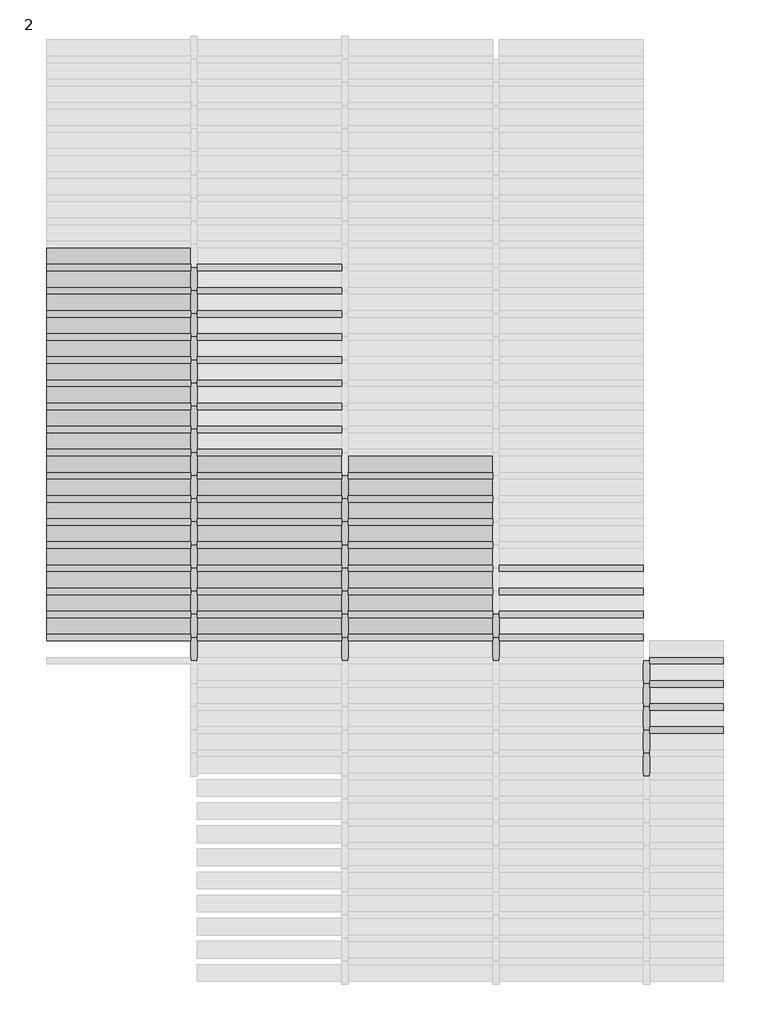
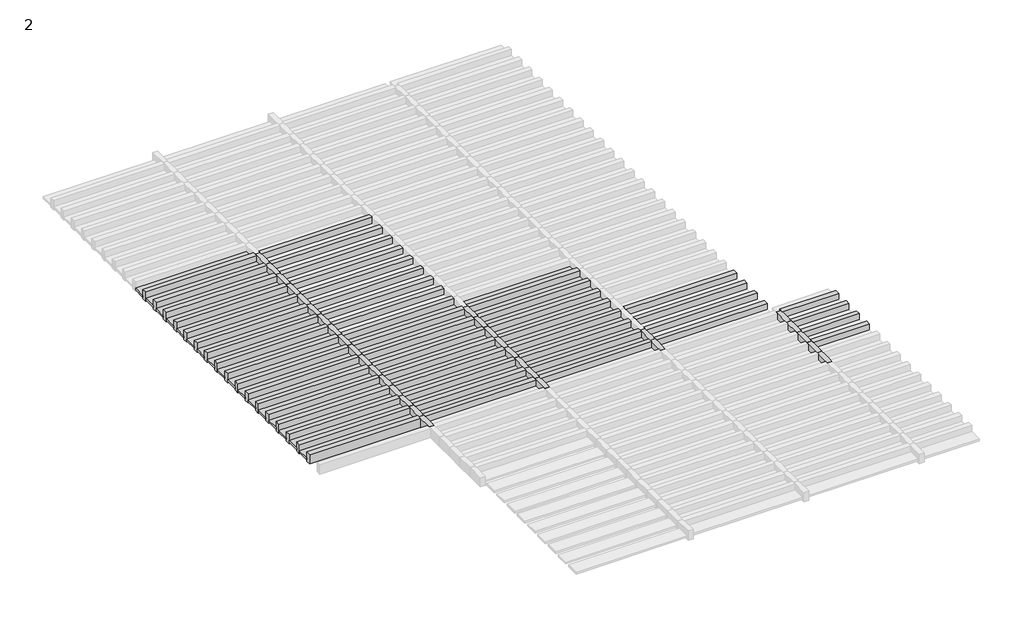
# One storey, part 13 of 20: 82 members, 33 plates.
"""IFC4 building model written with IfcOpenShell, lengths in millimetres."""

import ifcopenshell
import ifcopenshell.guid

model = None  # the IFC model being written
_history = None  # IfcOwnerHistory: only IFC2X3 demands one
_inside = {}  # id of a spatial element -> (the spatial element, [elements in it])
_under = {}  # id of a project, library or spatial element -> (it, [spatial elements below it])
_declared = {}  # id of a project -> (the project, [libraries it declares])
_typed = {}  # id of a type object -> (the type object, [elements of that type])
_made_of = {}  # id of a material, layer set ... -> (it, [elements and type objects made of it])


def new_model(schema):
    """Start an empty IFC model of exactly this schema.

    Asked for "IFC4X3", IfcOpenShell would pick the latest addendum, in which some entities
    have other attributes; the version numbers below select the first issue.
    IFC2X3 requires an IfcOwnerHistory on every rooted entity: one is made here for all.
    """
    global model, _history
    if schema == "IFC4X3":
        model = ifcopenshell.file(schema_version=(4, 3, 0, 0))
    else:
        model = ifcopenshell.file(schema=schema)
    _inside.clear()
    _under.clear()
    _declared.clear()
    _typed.clear()
    _made_of.clear()
    _history = None
    if model.schema == "IFC2X3":
        org = make("IfcOrganization", Name="unknown")
        user = make(
            "IfcPersonAndOrganization",
            ThePerson=make("IfcPerson", FamilyName="unknown"),
            TheOrganization=org,
        )
        app = make(
            "IfcApplication",
            ApplicationDeveloper=org,
            Version="unknown",
            ApplicationFullName="unknown",
            ApplicationIdentifier="unknown",
        )
        _history = make(
            "IfcOwnerHistory",
            OwningUser=user,
            OwningApplication=app,
            ChangeAction="ADDED",
            CreationDate=0,
        )
    return model


def make(cls, **values):
    """One entity of the class cls with the attributes given. An attribute that is None is left unset."""
    return model.create_entity(
        cls, **{name: value for name, value in values.items() if value is not None}
    )


def rooted(cls, **values):
    """An entity with a GlobalId (a new one), such as an element, a storey or a relation."""
    return make(cls, GlobalId=ifcopenshell.guid.new(), OwnerHistory=_history, **values)


def si_unit(unit_type, name, prefix=None):
    """IfcSIUnit, for example si_unit("LENGTHUNIT", "METRE", prefix="MILLI")."""
    return make("IfcSIUnit", UnitType=unit_type, Prefix=prefix, Name=name)


def assignment(units):
    """IfcUnitAssignment: the units of a project."""
    return None if units is None else make("IfcUnitAssignment", Units=units)


def point(xyz):
    """IfcCartesianPoint."""
    return None if xyz is None else make("IfcCartesianPoint", Coordinates=xyz)


def direction(xyz):
    """IfcDirection."""
    return None if xyz is None else make("IfcDirection", DirectionRatios=xyz)


def frame(location, z_axis=None, x_axis=None):
    """IfcAxis2Placement3D, a coordinate frame: its origin and axes. An axis left out is left unset."""
    return make(
        "IfcAxis2Placement3D",
        Location=point(location),
        Axis=direction(z_axis),
        RefDirection=direction(x_axis),
    )


def origin():
    """The frame at (0, 0, 0) with its axes left unset."""
    return frame((0.0, 0.0, 0.0))


def origin_with_axes():
    """The frame at (0, 0, 0) with the z axis (0, 0, 1) and the x axis (1, 0, 0) written out."""
    return frame((0.0, 0.0, 0.0), z_axis=(0.0, 0.0, 1.0), x_axis=(1.0, 0.0, 0.0))


def place(relative_to, where):
    """IfcLocalPlacement: puts the frame where relative to a parent placement (None: the world)."""
    return make(
        "IfcLocalPlacement", PlacementRelTo=relative_to, RelativePlacement=where
    )


def context(
    kind, dimensions, precision=None, world=None, true_north=None, identifier=None
):
    """IfcGeometricRepresentationContext, for example the 3D "Model" context."""
    return make(
        "IfcGeometricRepresentationContext",
        ContextIdentifier=identifier,
        ContextType=kind,
        CoordinateSpaceDimension=dimensions,
        Precision=precision,
        WorldCoordinateSystem=world,
        TrueNorth=true_north,
    )


def project(units=None, contexts=None):
    """IfcProject with its units and contexts."""
    return rooted(
        "IfcProject",
        Name="project",
        RepresentationContexts=contexts,
        UnitsInContext=assignment(units),
    )


def spatial(cls, under=None, at=None, **own):
    """A site, building, storey or space (cls), placed at a placement, below another one or the project."""
    s = rooted(cls, ObjectPlacement=at, **own)
    if under is not None:
        _under.setdefault(under.id(), (under, []))[1].append(s)
    return s


def polyline(points):
    """IfcPolyline through the points."""
    return make("IfcPolyline", Points=[point(p) for p in points])


def outline(outer, holes=None, kind="AREA"):
    """IfcArbitraryClosedProfileDef: a profile drawn as a closed curve; with holes, ...WithVoids."""
    if holes is None:
        return make("IfcArbitraryClosedProfileDef", ProfileType=kind, OuterCurve=outer)
    return make(
        "IfcArbitraryProfileDefWithVoids",
        ProfileType=kind,
        OuterCurve=outer,
        InnerCurves=holes,
    )


def extrude(swept, where, along, depth):
    """IfcExtrudedAreaSolid: the profile swept, set in the frame where, extruded along a direction by depth."""
    return make(
        "IfcExtrudedAreaSolid",
        SweptArea=swept,
        Position=where,
        ExtrudedDirection=direction(along),
        Depth=depth,
    )


def shape(context_of_items, identifier, shape_type, items):
    """IfcShapeRepresentation: the items that make up one representation, for example the "Body"."""
    return make(
        "IfcShapeRepresentation",
        ContextOfItems=context_of_items,
        RepresentationIdentifier=identifier,
        RepresentationType=shape_type,
        Items=items,
    )


def source(mapping_origin, context_of_items, identifier, shape_type, items):
    """IfcRepresentationMap: a shape defined once, which mapped items show again and again."""
    return make(
        "IfcRepresentationMap",
        MappingOrigin=mapping_origin,
        MappedRepresentation=shape(context_of_items, identifier, shape_type, items),
    )


def transform(
    local_origin,
    x_axis=None,
    y_axis=None,
    z_axis=None,
    scale=None,
    scale2=None,
    scale3=None,
    uniform=True,
):
    """IfcCartesianTransformationOperator3D, or its non-uniform kind. x_axis, y_axis, z_axis: its Axis1, 2, 3."""
    if uniform:
        return make(
            "IfcCartesianTransformationOperator3D",
            Axis1=direction(x_axis),
            Axis2=direction(y_axis),
            LocalOrigin=point(local_origin),
            Scale=scale,
            Axis3=direction(z_axis),
        )
    return make(
        "IfcCartesianTransformationOperator3DnonUniform",
        Axis1=direction(x_axis),
        Axis2=direction(y_axis),
        LocalOrigin=point(local_origin),
        Scale=scale,
        Axis3=direction(z_axis),
        Scale2=scale2,
        Scale3=scale3,
    )


def mapped(mapping_source, mapping_target):
    """IfcMappedItem: shows the shape of a source again, moved by a transform."""
    return make(
        "IfcMappedItem", MappingSource=mapping_source, MappingTarget=mapping_target
    )


def made_of(thing, what):
    """Note that an element or type object is made of a material, layer set ...; save() writes the relation."""
    if what is not None:
        _made_of.setdefault(what.id(), (what, []))[1].append(thing)
    return thing


def element(
    cls,
    number,
    at=None,
    inside=None,
    cuts=None,
    type_object=None,
    material=None,
    context=None,
    identifier="Body",
    shape_type=None,
    held_by="IfcProductDefinitionShape",
    body=None,
    shapes=None,
    **own,
):
    """One element of the class cls, such as IfcWall. Its Tag is "e" and its number.

    at: its placement. inside: the storey or other place that contains it. cuts: it is an
    opening in that element (IfcRelVoidsElement). A single representation is given by context,
    identifier, shape_type and body (its items); several are given by shapes. held_by: the class
    of the entity that holds the representations. save() writes the other relations.
    """
    e = rooted(cls, Tag="e%d" % number, ObjectPlacement=at, **own)
    if body is not None:
        shapes = [shape(context, identifier, shape_type, body)]
    if shapes is not None:
        e.Representation = make(held_by, Representations=shapes)
    if inside is not None:
        _inside.setdefault(inside.id(), (inside, []))[1].append(e)
    if cuts is not None:
        rooted(
            "IfcRelVoidsElement", RelatingBuildingElement=cuts, RelatedOpeningElement=e
        )
    if type_object is not None:
        _typed.setdefault(type_object.id(), (type_object, []))[1].append(e)
    return made_of(e, material)


def aggregate(whole, parts):
    """IfcRelAggregates: a whole, such as a stair, and the parts it consists of."""
    return rooted("IfcRelAggregates", RelatingObject=whole, RelatedObjects=parts)


def save(model, path):
    """Write the relations noted so far, then the file.

    IfcRelAggregates (storeys below a building ...), IfcRelContainedInSpatialStructure (elements
    in a storey), IfcRelDefinesByType, IfcRelAssociatesMaterial and IfcRelDeclares: one each for
    every whole, place, type object, material and project.
    """
    for whole, parts in _under.values():
        aggregate(whole, parts)
    for where, things in _inside.values():
        rooted(
            "IfcRelContainedInSpatialStructure",
            RelatedElements=things,
            RelatingStructure=where,
        )
    for kind, things in _typed.values():
        rooted("IfcRelDefinesByType", RelatedObjects=things, RelatingType=kind)
    for what, things in _made_of.values():
        rooted("IfcRelAssociatesMaterial", RelatedObjects=things, RelatingMaterial=what)
    for by, libraries in _declared.values():
        rooted("IfcRelDeclares", RelatingContext=by, RelatedDefinitions=libraries)
    model.write(path)


def rectangular_mullion_rectangular_mullion_1_2e36edf5(model_context):
    return source(origin(), model_context, "Body", "SweptSolid", [
        extrude(outline(polyline([(31.75, 63.5), (31.75, -63.5), (-31.75, -63.5), (-31.75, 63.5), (31.75, 63.5)])), frame((0.0, 0.0, -1436.5), z_axis=(0.0, 0.0, 1.0), x_axis=(1.0, 0.0, 0.0)), (0.0, 0.0, 1.0), 1436.5),
    ])


def rectangular_mullion_rectangular_mullion_1_a65447c9(model_context):
    return source(origin(), model_context, "Body", "SweptSolid", [
        extrude(outline(polyline([(31.75, 63.5), (31.75, -63.5), (-31.75, -63.5), (-31.75, 63.5), (31.75, 63.5)])), frame((0.0, 0.0, -728.9), z_axis=(0.0, 0.0, 1.0), x_axis=(1.0, 0.0, 0.0)), (0.0, 0.0, 1.0), 728.9),
    ])


def rectangular_mullion_rectangular_mullion_1_d94df714(model_context):
    return source(origin(), model_context, "Body", "SweptSolid", [
        extrude(outline(polyline([(31.75, 63.5), (31.75, -63.5), (-31.75, -63.5), (-31.75, 63.5), (31.75, 63.5)])), frame((0.0, 0.0, -230.0), z_axis=(0.0, 0.0, 1.0), x_axis=(1.0, 0.0, 0.0)), (0.0, 0.0, 1.0), 230.0),
    ])


def system_panel_glazed_08e8e96b(model_context):
    return source(origin(), model_context, "Body", "SweptSolid", [
        extrude(outline(polyline([(718.25, 19.05), (-718.25, 19.05), (-718.25, 44.45), (718.25, 44.45), (718.25, 19.05)])), origin_with_axes(), (0.0, 0.0, 1.0), 166.5),
    ])


model = new_model("IFC4")

# Units and contexts
model_context = context("Model", 3, world=origin())
ifc_project = project(units=[si_unit("LENGTHUNIT", "METRE", prefix="MILLI")], contexts=[model_context])

# Site, building, storey
site = spatial("IfcSite", under=ifc_project)
building = spatial("IfcBuilding", under=site)
storey = spatial("IfcBuildingStorey", under=building, Name="2", Elevation=6840.0)

# Members
placement = place(None, origin())
rectangular_mullion_rectangular_mullion_1_shape = rectangular_mullion_rectangular_mullion_1_2e36edf5(model_context)
element("IfcMember", 1, ObjectType="Rectangular Mullion : Rectangular Mullion 1", at=placement, inside=storey, context=model_context, shape_type="MappedRepresentation", body=[
    mapped(rectangular_mullion_rectangular_mullion_1_shape, transform((2077.9371269, 175.1945338, 6840.0), x_axis=(0.0, 1.0, 0.0), y_axis=(0.0, 0.0, -1.0), z_axis=(-1.0, 0.0, 0.0))),
])
element("IfcMember", 2, ObjectType="Rectangular Mullion : Rectangular Mullion 1", at=placement, inside=storey, context=model_context, shape_type="MappedRepresentation", body=[
    mapped(rectangular_mullion_rectangular_mullion_1_shape, transform((2077.9371269, 405.1945338, 6840.0), x_axis=(0.0, 1.0, 0.0), y_axis=(0.0, 0.0, -1.0), z_axis=(-1.0, 0.0, 0.0))),
])
element("IfcMember", 3, ObjectType="Rectangular Mullion : Rectangular Mullion 1", at=placement, inside=storey, context=model_context, shape_type="MappedRepresentation", body=[
    mapped(rectangular_mullion_rectangular_mullion_1_shape, transform((2077.9371269, 635.1945338, 6840.0), x_axis=(0.0, 1.0, 0.0), y_axis=(0.0, 0.0, -1.0), z_axis=(-1.0, 0.0, 0.0))),
])
element("IfcMember", 4, ObjectType="Rectangular Mullion : Rectangular Mullion 1", at=placement, inside=storey, context=model_context, shape_type="MappedRepresentation", body=[
    mapped(rectangular_mullion_rectangular_mullion_1_shape, transform((2077.9371269, 865.1945338, 6840.0), x_axis=(0.0, 1.0, 0.0), y_axis=(0.0, 0.0, -1.0), z_axis=(-1.0, 0.0, 0.0))),
])
element("IfcMember", 5, ObjectType="Rectangular Mullion : Rectangular Mullion 1", at=placement, inside=storey, context=model_context, shape_type="MappedRepresentation", body=[
    mapped(rectangular_mullion_rectangular_mullion_1_shape, transform((2077.9371269, 1095.1945338, 6840.0), x_axis=(0.0, 1.0, 0.0), y_axis=(0.0, 0.0, -1.0), z_axis=(-1.0, 0.0, 0.0))),
])
element("IfcMember", 6, ObjectType="Rectangular Mullion : Rectangular Mullion 1", at=placement, inside=storey, context=model_context, shape_type="MappedRepresentation", body=[
    mapped(rectangular_mullion_rectangular_mullion_1_shape, transform((2077.9371269, 1325.1945338, 6840.0), x_axis=(0.0, 1.0, 0.0), y_axis=(0.0, 0.0, -1.0), z_axis=(-1.0, 0.0, 0.0))),
])
element("IfcMember", 7, ObjectType="Rectangular Mullion : Rectangular Mullion 1", at=placement, inside=storey, context=model_context, shape_type="MappedRepresentation", body=[
    mapped(rectangular_mullion_rectangular_mullion_1_shape, transform((2077.9371269, 1555.1945338, 6840.0), x_axis=(0.0, 1.0, 0.0), y_axis=(0.0, 0.0, -1.0), z_axis=(-1.0, 0.0, 0.0))),
])
element("IfcMember", 8, ObjectType="Rectangular Mullion : Rectangular Mullion 1", at=placement, inside=storey, context=model_context, shape_type="MappedRepresentation", body=[
    mapped(rectangular_mullion_rectangular_mullion_1_shape, transform((2077.9371269, 1785.1945338, 6840.0), x_axis=(0.0, 1.0, 0.0), y_axis=(0.0, 0.0, -1.0), z_axis=(-1.0, 0.0, 0.0))),
])
element("IfcMember", 9, ObjectType="Rectangular Mullion : Rectangular Mullion 1", at=placement, inside=storey, context=model_context, shape_type="MappedRepresentation", body=[
    mapped(rectangular_mullion_rectangular_mullion_1_shape, transform((2077.9371269, 2015.1945338, 6840.0), x_axis=(0.0, 1.0, 0.0), y_axis=(0.0, 0.0, -1.0), z_axis=(-1.0, 0.0, 0.0))),
])
element("IfcMember", 10, ObjectType="Rectangular Mullion : Rectangular Mullion 1", at=placement, inside=storey, context=model_context, shape_type="MappedRepresentation", body=[
    mapped(rectangular_mullion_rectangular_mullion_1_shape, transform((2077.9371269, 2245.1945338, 6840.0), x_axis=(0.0, 1.0, 0.0), y_axis=(0.0, 0.0, -1.0), z_axis=(-1.0, 0.0, 0.0))),
])
element("IfcMember", 11, ObjectType="Rectangular Mullion : Rectangular Mullion 1", at=placement, inside=storey, context=model_context, shape_type="MappedRepresentation", body=[
    mapped(rectangular_mullion_rectangular_mullion_1_shape, transform((2077.9371269, 2475.1945338, 6840.0), x_axis=(0.0, 1.0, 0.0), y_axis=(0.0, 0.0, -1.0), z_axis=(-1.0, 0.0, 0.0))),
])
element("IfcMember", 12, ObjectType="Rectangular Mullion : Rectangular Mullion 1", at=placement, inside=storey, context=model_context, shape_type="MappedRepresentation", body=[
    mapped(rectangular_mullion_rectangular_mullion_1_shape, transform((2077.9371269, 2705.1945338, 6840.0), x_axis=(0.0, 1.0, 0.0), y_axis=(0.0, 0.0, -1.0), z_axis=(-1.0, 0.0, 0.0))),
])
element("IfcMember", 13, ObjectType="Rectangular Mullion : Rectangular Mullion 1", at=placement, inside=storey, context=model_context, shape_type="MappedRepresentation", body=[
    mapped(rectangular_mullion_rectangular_mullion_1_shape, transform((2077.9371269, 2935.1945338, 6840.0), x_axis=(0.0, 1.0, 0.0), y_axis=(0.0, 0.0, -1.0), z_axis=(-1.0, 0.0, 0.0))),
])
element("IfcMember", 14, ObjectType="Rectangular Mullion : Rectangular Mullion 1", at=placement, inside=storey, context=model_context, shape_type="MappedRepresentation", body=[
    mapped(rectangular_mullion_rectangular_mullion_1_shape, transform((2077.9371269, 3165.1945338, 6840.0), x_axis=(0.0, 1.0, 0.0), y_axis=(0.0, 0.0, -1.0), z_axis=(-1.0, 0.0, 0.0))),
])
element("IfcMember", 15, ObjectType="Rectangular Mullion : Rectangular Mullion 1", at=placement, inside=storey, context=model_context, shape_type="MappedRepresentation", body=[
    mapped(rectangular_mullion_rectangular_mullion_1_shape, transform((2077.9371269, 3395.1945338, 6840.0), x_axis=(0.0, 1.0, 0.0), y_axis=(0.0, 0.0, -1.0), z_axis=(-1.0, 0.0, 0.0))),
])
element("IfcMember", 16, ObjectType="Rectangular Mullion : Rectangular Mullion 1", at=placement, inside=storey, context=model_context, shape_type="MappedRepresentation", body=[
    mapped(rectangular_mullion_rectangular_mullion_1_shape, transform((2077.9371269, 3625.1945338, 6840.0), x_axis=(0.0, 1.0, 0.0), y_axis=(0.0, 0.0, -1.0), z_axis=(-1.0, 0.0, 0.0))),
])
element("IfcMember", 17, ObjectType="Rectangular Mullion : Rectangular Mullion 1", at=placement, inside=storey, context=model_context, shape_type="MappedRepresentation", body=[
    mapped(rectangular_mullion_rectangular_mullion_1_shape, transform((2077.9371269, 3855.1945338, 6840.0), x_axis=(0.0, 1.0, 0.0), y_axis=(0.0, 0.0, -1.0), z_axis=(-1.0, 0.0, 0.0))),
])
element("IfcMember", 18, ObjectType="Rectangular Mullion : Rectangular Mullion 1", at=placement, inside=storey, context=model_context, shape_type="MappedRepresentation", body=[
    mapped(rectangular_mullion_rectangular_mullion_1_shape, transform((3577.9371269, 175.1945338, 6840.0), x_axis=(0.0, 1.0, 0.0), y_axis=(0.0, 0.0, -1.0), z_axis=(-1.0, 0.0, 0.0))),
])
element("IfcMember", 19, ObjectType="Rectangular Mullion : Rectangular Mullion 1", at=placement, inside=storey, context=model_context, shape_type="MappedRepresentation", body=[
    mapped(rectangular_mullion_rectangular_mullion_1_shape, transform((5077.9371269, 175.1945338, 6840.0), x_axis=(0.0, 1.0, 0.0), y_axis=(0.0, 0.0, -1.0), z_axis=(-1.0, 0.0, 0.0))),
])
element("IfcMember", 20, ObjectType="Rectangular Mullion : Rectangular Mullion 1", at=placement, inside=storey, context=model_context, shape_type="MappedRepresentation", body=[
    mapped(rectangular_mullion_rectangular_mullion_1_shape, transform((6577.9371269, 175.1945338, 6840.0), x_axis=(0.0, 1.0, 0.0), y_axis=(0.0, 0.0, -1.0), z_axis=(-1.0, 0.0, 0.0))),
])
element("IfcMember", 21, ObjectType="Rectangular Mullion : Rectangular Mullion 1", at=placement, inside=storey, context=model_context, shape_type="MappedRepresentation", body=[
    mapped(rectangular_mullion_rectangular_mullion_1_shape, transform((3577.9371269, 405.1945338, 6840.0), x_axis=(0.0, 1.0, 0.0), y_axis=(0.0, 0.0, -1.0), z_axis=(-1.0, 0.0, 0.0))),
])
element("IfcMember", 22, ObjectType="Rectangular Mullion : Rectangular Mullion 1", at=placement, inside=storey, context=model_context, shape_type="MappedRepresentation", body=[
    mapped(rectangular_mullion_rectangular_mullion_1_shape, transform((5077.9371269, 405.1945338, 6840.0), x_axis=(0.0, 1.0, 0.0), y_axis=(0.0, 0.0, -1.0), z_axis=(-1.0, 0.0, 0.0))),
])
element("IfcMember", 23, ObjectType="Rectangular Mullion : Rectangular Mullion 1", at=placement, inside=storey, context=model_context, shape_type="MappedRepresentation", body=[
    mapped(rectangular_mullion_rectangular_mullion_1_shape, transform((6577.9371269, 405.1945338, 6840.0), x_axis=(0.0, 1.0, 0.0), y_axis=(0.0, 0.0, -1.0), z_axis=(-1.0, 0.0, 0.0))),
])
element("IfcMember", 24, ObjectType="Rectangular Mullion : Rectangular Mullion 1", at=placement, inside=storey, context=model_context, shape_type="MappedRepresentation", body=[
    mapped(rectangular_mullion_rectangular_mullion_1_shape, transform((3577.9371269, 635.1945338, 6840.0), x_axis=(0.0, 1.0, 0.0), y_axis=(0.0, 0.0, -1.0), z_axis=(-1.0, 0.0, 0.0))),
])
element("IfcMember", 25, ObjectType="Rectangular Mullion : Rectangular Mullion 1", at=placement, inside=storey, context=model_context, shape_type="MappedRepresentation", body=[
    mapped(rectangular_mullion_rectangular_mullion_1_shape, transform((5077.9371269, 635.1945338, 6840.0), x_axis=(0.0, 1.0, 0.0), y_axis=(0.0, 0.0, -1.0), z_axis=(-1.0, 0.0, 0.0))),
])
element("IfcMember", 26, ObjectType="Rectangular Mullion : Rectangular Mullion 1", at=placement, inside=storey, context=model_context, shape_type="MappedRepresentation", body=[
    mapped(rectangular_mullion_rectangular_mullion_1_shape, transform((6577.9371269, 635.1945338, 6840.0), x_axis=(0.0, 1.0, 0.0), y_axis=(0.0, 0.0, -1.0), z_axis=(-1.0, 0.0, 0.0))),
])
element("IfcMember", 27, ObjectType="Rectangular Mullion : Rectangular Mullion 1", at=placement, inside=storey, context=model_context, shape_type="MappedRepresentation", body=[
    mapped(rectangular_mullion_rectangular_mullion_1_shape, transform((3577.9371269, 865.1945338, 6840.0), x_axis=(0.0, 1.0, 0.0), y_axis=(0.0, 0.0, -1.0), z_axis=(-1.0, 0.0, 0.0))),
])
element("IfcMember", 28, ObjectType="Rectangular Mullion : Rectangular Mullion 1", at=placement, inside=storey, context=model_context, shape_type="MappedRepresentation", body=[
    mapped(rectangular_mullion_rectangular_mullion_1_shape, transform((5077.9371269, 865.1945338, 6840.0), x_axis=(0.0, 1.0, 0.0), y_axis=(0.0, 0.0, -1.0), z_axis=(-1.0, 0.0, 0.0))),
])
element("IfcMember", 29, ObjectType="Rectangular Mullion : Rectangular Mullion 1", at=placement, inside=storey, context=model_context, shape_type="MappedRepresentation", body=[
    mapped(rectangular_mullion_rectangular_mullion_1_shape, transform((6577.9371269, 865.1945338, 6840.0), x_axis=(0.0, 1.0, 0.0), y_axis=(0.0, 0.0, -1.0), z_axis=(-1.0, 0.0, 0.0))),
])
element("IfcMember", 30, ObjectType="Rectangular Mullion : Rectangular Mullion 1", at=placement, inside=storey, context=model_context, shape_type="MappedRepresentation", body=[
    mapped(rectangular_mullion_rectangular_mullion_1_shape, transform((3577.9371269, 1095.1945338, 6840.0), x_axis=(0.0, 1.0, 0.0), y_axis=(0.0, 0.0, -1.0), z_axis=(-1.0, 0.0, 0.0))),
])
element("IfcMember", 31, ObjectType="Rectangular Mullion : Rectangular Mullion 1", at=placement, inside=storey, context=model_context, shape_type="MappedRepresentation", body=[
    mapped(rectangular_mullion_rectangular_mullion_1_shape, transform((5077.9371269, 1095.1945338, 6840.0), x_axis=(0.0, 1.0, 0.0), y_axis=(0.0, 0.0, -1.0), z_axis=(-1.0, 0.0, 0.0))),
])
element("IfcMember", 32, ObjectType="Rectangular Mullion : Rectangular Mullion 1", at=placement, inside=storey, context=model_context, shape_type="MappedRepresentation", body=[
    mapped(rectangular_mullion_rectangular_mullion_1_shape, transform((3577.9371269, 1325.1945338, 6840.0), x_axis=(0.0, 1.0, 0.0), y_axis=(0.0, 0.0, -1.0), z_axis=(-1.0, 0.0, 0.0))),
])
element("IfcMember", 33, ObjectType="Rectangular Mullion : Rectangular Mullion 1", at=placement, inside=storey, context=model_context, shape_type="MappedRepresentation", body=[
    mapped(rectangular_mullion_rectangular_mullion_1_shape, transform((5077.9371269, 1325.1945338, 6840.0), x_axis=(0.0, 1.0, 0.0), y_axis=(0.0, 0.0, -1.0), z_axis=(-1.0, 0.0, 0.0))),
])
element("IfcMember", 34, ObjectType="Rectangular Mullion : Rectangular Mullion 1", at=placement, inside=storey, context=model_context, shape_type="MappedRepresentation", body=[
    mapped(rectangular_mullion_rectangular_mullion_1_shape, transform((3577.9371269, 1555.1945338, 6840.0), x_axis=(0.0, 1.0, 0.0), y_axis=(0.0, 0.0, -1.0), z_axis=(-1.0, 0.0, 0.0))),
])
element("IfcMember", 35, ObjectType="Rectangular Mullion : Rectangular Mullion 1", at=placement, inside=storey, context=model_context, shape_type="MappedRepresentation", body=[
    mapped(rectangular_mullion_rectangular_mullion_1_shape, transform((5077.9371269, 1555.1945338, 6840.0), x_axis=(0.0, 1.0, 0.0), y_axis=(0.0, 0.0, -1.0), z_axis=(-1.0, 0.0, 0.0))),
])
element("IfcMember", 36, ObjectType="Rectangular Mullion : Rectangular Mullion 1", at=placement, inside=storey, context=model_context, shape_type="MappedRepresentation", body=[
    mapped(rectangular_mullion_rectangular_mullion_1_shape, transform((3577.9371269, 1785.1945338, 6840.0), x_axis=(0.0, 1.0, 0.0), y_axis=(0.0, 0.0, -1.0), z_axis=(-1.0, 0.0, 0.0))),
])
element("IfcMember", 37, ObjectType="Rectangular Mullion : Rectangular Mullion 1", at=placement, inside=storey, context=model_context, shape_type="MappedRepresentation", body=[
    mapped(rectangular_mullion_rectangular_mullion_1_shape, transform((5077.9371269, 1785.1945338, 6840.0), x_axis=(0.0, 1.0, 0.0), y_axis=(0.0, 0.0, -1.0), z_axis=(-1.0, 0.0, 0.0))),
])
element("IfcMember", 38, ObjectType="Rectangular Mullion : Rectangular Mullion 1", at=placement, inside=storey, context=model_context, shape_type="MappedRepresentation", body=[
    mapped(rectangular_mullion_rectangular_mullion_1_shape, transform((3577.9371269, 2015.1945338, 6840.0), x_axis=(0.0, 1.0, 0.0), y_axis=(0.0, 0.0, -1.0), z_axis=(-1.0, 0.0, 0.0))),
])
element("IfcMember", 39, ObjectType="Rectangular Mullion : Rectangular Mullion 1", at=placement, inside=storey, context=model_context, shape_type="MappedRepresentation", body=[
    mapped(rectangular_mullion_rectangular_mullion_1_shape, transform((3577.9371269, 2245.1945338, 6840.0), x_axis=(0.0, 1.0, 0.0), y_axis=(0.0, 0.0, -1.0), z_axis=(-1.0, 0.0, 0.0))),
])
element("IfcMember", 40, ObjectType="Rectangular Mullion : Rectangular Mullion 1", at=placement, inside=storey, context=model_context, shape_type="MappedRepresentation", body=[
    mapped(rectangular_mullion_rectangular_mullion_1_shape, transform((3577.9371269, 2475.1945338, 6840.0), x_axis=(0.0, 1.0, 0.0), y_axis=(0.0, 0.0, -1.0), z_axis=(-1.0, 0.0, 0.0))),
])
element("IfcMember", 41, ObjectType="Rectangular Mullion : Rectangular Mullion 1", at=placement, inside=storey, context=model_context, shape_type="MappedRepresentation", body=[
    mapped(rectangular_mullion_rectangular_mullion_1_shape, transform((3577.9371269, 2705.1945338, 6840.0), x_axis=(0.0, 1.0, 0.0), y_axis=(0.0, 0.0, -1.0), z_axis=(-1.0, 0.0, 0.0))),
])
element("IfcMember", 42, ObjectType="Rectangular Mullion : Rectangular Mullion 1", at=placement, inside=storey, context=model_context, shape_type="MappedRepresentation", body=[
    mapped(rectangular_mullion_rectangular_mullion_1_shape, transform((3577.9371269, 2935.1945338, 6840.0), x_axis=(0.0, 1.0, 0.0), y_axis=(0.0, 0.0, -1.0), z_axis=(-1.0, 0.0, 0.0))),
])
element("IfcMember", 43, ObjectType="Rectangular Mullion : Rectangular Mullion 1", at=placement, inside=storey, context=model_context, shape_type="MappedRepresentation", body=[
    mapped(rectangular_mullion_rectangular_mullion_1_shape, transform((3577.9371269, 3165.1945338, 6840.0), x_axis=(0.0, 1.0, 0.0), y_axis=(0.0, 0.0, -1.0), z_axis=(-1.0, 0.0, 0.0))),
])
element("IfcMember", 44, ObjectType="Rectangular Mullion : Rectangular Mullion 1", at=placement, inside=storey, context=model_context, shape_type="MappedRepresentation", body=[
    mapped(rectangular_mullion_rectangular_mullion_1_shape, transform((3577.9371269, 3395.1945338, 6840.0), x_axis=(0.0, 1.0, 0.0), y_axis=(0.0, 0.0, -1.0), z_axis=(-1.0, 0.0, 0.0))),
])
element("IfcMember", 45, ObjectType="Rectangular Mullion : Rectangular Mullion 1", at=placement, inside=storey, context=model_context, shape_type="MappedRepresentation", body=[
    mapped(rectangular_mullion_rectangular_mullion_1_shape, transform((3577.9371269, 3625.1945338, 6840.0), x_axis=(0.0, 1.0, 0.0), y_axis=(0.0, 0.0, -1.0), z_axis=(-1.0, 0.0, 0.0))),
])
element("IfcMember", 46, ObjectType="Rectangular Mullion : Rectangular Mullion 1", at=placement, inside=storey, context=model_context, shape_type="MappedRepresentation", body=[
    mapped(rectangular_mullion_rectangular_mullion_1_shape, transform((3577.9371269, 3855.1945338, 6840.0), x_axis=(0.0, 1.0, 0.0), y_axis=(0.0, 0.0, -1.0), z_axis=(-1.0, 0.0, 0.0))),
])
rectangular_mullion_rectangular_mullion_1_2_shape = rectangular_mullion_rectangular_mullion_1_a65447c9(model_context)
element("IfcMember", 47, ObjectType="Rectangular Mullion : Rectangular Mullion 1", at=placement, inside=storey, context=model_context, shape_type="MappedRepresentation", body=[
    mapped(rectangular_mullion_rectangular_mullion_1_2_shape, transform((8077.9371269, -744.8054662, 6840.0), x_axis=(0.0, 1.0, 0.0), y_axis=(0.0, 0.0, -1.0), z_axis=(-1.0, 0.0, 0.0))),
])
element("IfcMember", 48, ObjectType="Rectangular Mullion : Rectangular Mullion 1", at=placement, inside=storey, context=model_context, shape_type="MappedRepresentation", body=[
    mapped(rectangular_mullion_rectangular_mullion_1_2_shape, transform((8077.9371269, -514.8054662, 6840.0), x_axis=(0.0, 1.0, 0.0), y_axis=(0.0, 0.0, -1.0), z_axis=(-1.0, 0.0, 0.0))),
])
element("IfcMember", 49, ObjectType="Rectangular Mullion : Rectangular Mullion 1", at=placement, inside=storey, context=model_context, shape_type="MappedRepresentation", body=[
    mapped(rectangular_mullion_rectangular_mullion_1_2_shape, transform((8077.9371269, -284.8054662, 6840.0), x_axis=(0.0, 1.0, 0.0), y_axis=(0.0, 0.0, -1.0), z_axis=(-1.0, 0.0, 0.0))),
])
element("IfcMember", 50, ObjectType="Rectangular Mullion : Rectangular Mullion 1", at=placement, inside=storey, context=model_context, shape_type="MappedRepresentation", body=[
    mapped(rectangular_mullion_rectangular_mullion_1_2_shape, transform((8077.9371269, -54.8054662, 6840.0), x_axis=(0.0, 1.0, 0.0), y_axis=(0.0, 0.0, -1.0), z_axis=(-1.0, 0.0, 0.0))),
])
rectangular_mullion_rectangular_mullion_1_3_shape = rectangular_mullion_rectangular_mullion_1_d94df714(model_context)
element("IfcMember", 51, ObjectType="Rectangular Mullion : Rectangular Mullion 1", at=placement, inside=storey, context=model_context, shape_type="MappedRepresentation", body=[
    mapped(rectangular_mullion_rectangular_mullion_1_3_shape, transform((8046.1871269, -974.8054662, 6840.0), x_axis=(1.0, 0.0, 0.0), y_axis=(0.0, 0.0, -1.0), z_axis=(0.0, 1.0, 0.0))),
])
element("IfcMember", 52, ObjectType="Rectangular Mullion : Rectangular Mullion 1", at=placement, inside=storey, context=model_context, shape_type="MappedRepresentation", body=[
    mapped(rectangular_mullion_rectangular_mullion_1_3_shape, transform((8046.1871269, -744.8054662, 6840.0), x_axis=(1.0, 0.0, 0.0), y_axis=(0.0, 0.0, -1.0), z_axis=(0.0, 1.0, 0.0))),
])
element("IfcMember", 53, ObjectType="Rectangular Mullion : Rectangular Mullion 1", at=placement, inside=storey, context=model_context, shape_type="MappedRepresentation", body=[
    mapped(rectangular_mullion_rectangular_mullion_1_3_shape, transform((8046.1871269, -514.8054662, 6840.0), x_axis=(1.0, 0.0, 0.0), y_axis=(0.0, 0.0, -1.0), z_axis=(0.0, 1.0, 0.0))),
])
element("IfcMember", 54, ObjectType="Rectangular Mullion : Rectangular Mullion 1", at=placement, inside=storey, context=model_context, shape_type="MappedRepresentation", body=[
    mapped(rectangular_mullion_rectangular_mullion_1_3_shape, transform((8046.1871269, -284.8054662, 6840.0), x_axis=(1.0, 0.0, 0.0), y_axis=(0.0, 0.0, -1.0), z_axis=(0.0, 1.0, 0.0))),
])
element("IfcMember", 55, ObjectType="Rectangular Mullion : Rectangular Mullion 1", at=placement, inside=storey, context=model_context, shape_type="MappedRepresentation", body=[
    mapped(rectangular_mullion_rectangular_mullion_1_3_shape, transform((8046.1871269, -54.8054662, 6840.0), x_axis=(1.0, 0.0, 0.0), y_axis=(0.0, 0.0, -1.0), z_axis=(0.0, 1.0, 0.0))),
])
element("IfcMember", 56, ObjectType="Rectangular Mullion : Rectangular Mullion 1", at=placement, inside=storey, context=model_context, shape_type="MappedRepresentation", body=[
    mapped(rectangular_mullion_rectangular_mullion_1_3_shape, transform((3546.1871269, 175.1945338, 6840.0), x_axis=(1.0, 0.0, 0.0), y_axis=(0.0, 0.0, -1.0), z_axis=(0.0, 1.0, 0.0))),
])
element("IfcMember", 57, ObjectType="Rectangular Mullion : Rectangular Mullion 1", at=placement, inside=storey, context=model_context, shape_type="MappedRepresentation", body=[
    mapped(rectangular_mullion_rectangular_mullion_1_3_shape, transform((5046.1871269, 175.1945338, 6840.0), x_axis=(1.0, 0.0, 0.0), y_axis=(0.0, 0.0, -1.0), z_axis=(0.0, 1.0, 0.0))),
])
element("IfcMember", 58, ObjectType="Rectangular Mullion : Rectangular Mullion 1", at=placement, inside=storey, context=model_context, shape_type="MappedRepresentation", body=[
    mapped(rectangular_mullion_rectangular_mullion_1_3_shape, transform((6546.1871269, 175.1945338, 6840.0), x_axis=(1.0, 0.0, 0.0), y_axis=(0.0, 0.0, -1.0), z_axis=(0.0, 1.0, 0.0))),
])
element("IfcMember", 59, ObjectType="Rectangular Mullion : Rectangular Mullion 1", at=placement, inside=storey, context=model_context, shape_type="MappedRepresentation", body=[
    mapped(rectangular_mullion_rectangular_mullion_1_3_shape, transform((3546.1871269, 405.1945338, 6840.0), x_axis=(1.0, 0.0, 0.0), y_axis=(0.0, 0.0, -1.0), z_axis=(0.0, 1.0, 0.0))),
])
element("IfcMember", 60, ObjectType="Rectangular Mullion : Rectangular Mullion 1", at=placement, inside=storey, context=model_context, shape_type="MappedRepresentation", body=[
    mapped(rectangular_mullion_rectangular_mullion_1_3_shape, transform((5046.1871269, 405.1945338, 6840.0), x_axis=(1.0, 0.0, 0.0), y_axis=(0.0, 0.0, -1.0), z_axis=(0.0, 1.0, 0.0))),
])
element("IfcMember", 61, ObjectType="Rectangular Mullion : Rectangular Mullion 1", at=placement, inside=storey, context=model_context, shape_type="MappedRepresentation", body=[
    mapped(rectangular_mullion_rectangular_mullion_1_3_shape, transform((6546.1871269, 405.1945338, 6840.0), x_axis=(1.0, 0.0, 0.0), y_axis=(0.0, 0.0, -1.0), z_axis=(0.0, 1.0, 0.0))),
])
element("IfcMember", 62, ObjectType="Rectangular Mullion : Rectangular Mullion 1", at=placement, inside=storey, context=model_context, shape_type="MappedRepresentation", body=[
    mapped(rectangular_mullion_rectangular_mullion_1_3_shape, transform((3546.1871269, 635.1945338, 6840.0), x_axis=(1.0, 0.0, 0.0), y_axis=(0.0, 0.0, -1.0), z_axis=(0.0, 1.0, 0.0))),
])
element("IfcMember", 63, ObjectType="Rectangular Mullion : Rectangular Mullion 1", at=placement, inside=storey, context=model_context, shape_type="MappedRepresentation", body=[
    mapped(rectangular_mullion_rectangular_mullion_1_3_shape, transform((5046.1871269, 635.1945338, 6840.0), x_axis=(1.0, 0.0, 0.0), y_axis=(0.0, 0.0, -1.0), z_axis=(0.0, 1.0, 0.0))),
])
element("IfcMember", 64, ObjectType="Rectangular Mullion : Rectangular Mullion 1", at=placement, inside=storey, context=model_context, shape_type="MappedRepresentation", body=[
    mapped(rectangular_mullion_rectangular_mullion_1_3_shape, transform((3546.1871269, 865.1945338, 6840.0), x_axis=(1.0, 0.0, 0.0), y_axis=(0.0, 0.0, -1.0), z_axis=(0.0, 1.0, 0.0))),
])
element("IfcMember", 65, ObjectType="Rectangular Mullion : Rectangular Mullion 1", at=placement, inside=storey, context=model_context, shape_type="MappedRepresentation", body=[
    mapped(rectangular_mullion_rectangular_mullion_1_3_shape, transform((5046.1871269, 865.1945338, 6840.0), x_axis=(1.0, 0.0, 0.0), y_axis=(0.0, 0.0, -1.0), z_axis=(0.0, 1.0, 0.0))),
])
element("IfcMember", 66, ObjectType="Rectangular Mullion : Rectangular Mullion 1", at=placement, inside=storey, context=model_context, shape_type="MappedRepresentation", body=[
    mapped(rectangular_mullion_rectangular_mullion_1_3_shape, transform((3546.1871269, 1095.1945338, 6840.0), x_axis=(1.0, 0.0, 0.0), y_axis=(0.0, 0.0, -1.0), z_axis=(0.0, 1.0, 0.0))),
])
element("IfcMember", 67, ObjectType="Rectangular Mullion : Rectangular Mullion 1", at=placement, inside=storey, context=model_context, shape_type="MappedRepresentation", body=[
    mapped(rectangular_mullion_rectangular_mullion_1_3_shape, transform((5046.1871269, 1095.1945338, 6840.0), x_axis=(1.0, 0.0, 0.0), y_axis=(0.0, 0.0, -1.0), z_axis=(0.0, 1.0, 0.0))),
])
element("IfcMember", 68, ObjectType="Rectangular Mullion : Rectangular Mullion 1", at=placement, inside=storey, context=model_context, shape_type="MappedRepresentation", body=[
    mapped(rectangular_mullion_rectangular_mullion_1_3_shape, transform((3546.1871269, 1325.1945338, 6840.0), x_axis=(1.0, 0.0, 0.0), y_axis=(0.0, 0.0, -1.0), z_axis=(0.0, 1.0, 0.0))),
])
element("IfcMember", 69, ObjectType="Rectangular Mullion : Rectangular Mullion 1", at=placement, inside=storey, context=model_context, shape_type="MappedRepresentation", body=[
    mapped(rectangular_mullion_rectangular_mullion_1_3_shape, transform((5046.1871269, 1325.1945338, 6840.0), x_axis=(1.0, 0.0, 0.0), y_axis=(0.0, 0.0, -1.0), z_axis=(0.0, 1.0, 0.0))),
])
element("IfcMember", 70, ObjectType="Rectangular Mullion : Rectangular Mullion 1", at=placement, inside=storey, context=model_context, shape_type="MappedRepresentation", body=[
    mapped(rectangular_mullion_rectangular_mullion_1_3_shape, transform((3546.1871269, 1555.1945338, 6840.0), x_axis=(1.0, 0.0, 0.0), y_axis=(0.0, 0.0, -1.0), z_axis=(0.0, 1.0, 0.0))),
])
element("IfcMember", 71, ObjectType="Rectangular Mullion : Rectangular Mullion 1", at=placement, inside=storey, context=model_context, shape_type="MappedRepresentation", body=[
    mapped(rectangular_mullion_rectangular_mullion_1_3_shape, transform((5046.1871269, 1555.1945338, 6840.0), x_axis=(1.0, 0.0, 0.0), y_axis=(0.0, 0.0, -1.0), z_axis=(0.0, 1.0, 0.0))),
])
element("IfcMember", 72, ObjectType="Rectangular Mullion : Rectangular Mullion 1", at=placement, inside=storey, context=model_context, shape_type="MappedRepresentation", body=[
    mapped(rectangular_mullion_rectangular_mullion_1_3_shape, transform((3546.1871269, 1785.1945338, 6840.0), x_axis=(1.0, 0.0, 0.0), y_axis=(0.0, 0.0, -1.0), z_axis=(0.0, 1.0, 0.0))),
])
element("IfcMember", 73, ObjectType="Rectangular Mullion : Rectangular Mullion 1", at=placement, inside=storey, context=model_context, shape_type="MappedRepresentation", body=[
    mapped(rectangular_mullion_rectangular_mullion_1_3_shape, transform((5046.1871269, 1785.1945338, 6840.0), x_axis=(1.0, 0.0, 0.0), y_axis=(0.0, 0.0, -1.0), z_axis=(0.0, 1.0, 0.0))),
])
element("IfcMember", 74, ObjectType="Rectangular Mullion : Rectangular Mullion 1", at=placement, inside=storey, context=model_context, shape_type="MappedRepresentation", body=[
    mapped(rectangular_mullion_rectangular_mullion_1_3_shape, transform((3546.1871269, 2015.1945338, 6840.0), x_axis=(1.0, 0.0, 0.0), y_axis=(0.0, 0.0, -1.0), z_axis=(0.0, 1.0, 0.0))),
])
element("IfcMember", 75, ObjectType="Rectangular Mullion : Rectangular Mullion 1", at=placement, inside=storey, context=model_context, shape_type="MappedRepresentation", body=[
    mapped(rectangular_mullion_rectangular_mullion_1_3_shape, transform((3546.1871269, 2245.1945338, 6840.0), x_axis=(1.0, 0.0, 0.0), y_axis=(0.0, 0.0, -1.0), z_axis=(0.0, 1.0, 0.0))),
])
element("IfcMember", 76, ObjectType="Rectangular Mullion : Rectangular Mullion 1", at=placement, inside=storey, context=model_context, shape_type="MappedRepresentation", body=[
    mapped(rectangular_mullion_rectangular_mullion_1_3_shape, transform((3546.1871269, 2475.1945338, 6840.0), x_axis=(1.0, 0.0, 0.0), y_axis=(0.0, 0.0, -1.0), z_axis=(0.0, 1.0, 0.0))),
])
element("IfcMember", 77, ObjectType="Rectangular Mullion : Rectangular Mullion 1", at=placement, inside=storey, context=model_context, shape_type="MappedRepresentation", body=[
    mapped(rectangular_mullion_rectangular_mullion_1_3_shape, transform((3546.1871269, 2705.1945338, 6840.0), x_axis=(1.0, 0.0, 0.0), y_axis=(0.0, 0.0, -1.0), z_axis=(0.0, 1.0, 0.0))),
])
element("IfcMember", 78, ObjectType="Rectangular Mullion : Rectangular Mullion 1", at=placement, inside=storey, context=model_context, shape_type="MappedRepresentation", body=[
    mapped(rectangular_mullion_rectangular_mullion_1_3_shape, transform((3546.1871269, 2935.1945338, 6840.0), x_axis=(1.0, 0.0, 0.0), y_axis=(0.0, 0.0, -1.0), z_axis=(0.0, 1.0, 0.0))),
])
element("IfcMember", 79, ObjectType="Rectangular Mullion : Rectangular Mullion 1", at=placement, inside=storey, context=model_context, shape_type="MappedRepresentation", body=[
    mapped(rectangular_mullion_rectangular_mullion_1_3_shape, transform((3546.1871269, 3165.1945338, 6840.0), x_axis=(1.0, 0.0, 0.0), y_axis=(0.0, 0.0, -1.0), z_axis=(0.0, 1.0, 0.0))),
])
element("IfcMember", 80, ObjectType="Rectangular Mullion : Rectangular Mullion 1", at=placement, inside=storey, context=model_context, shape_type="MappedRepresentation", body=[
    mapped(rectangular_mullion_rectangular_mullion_1_3_shape, transform((3546.1871269, 3395.1945338, 6840.0), x_axis=(1.0, 0.0, 0.0), y_axis=(0.0, 0.0, -1.0), z_axis=(0.0, 1.0, 0.0))),
])
element("IfcMember", 81, ObjectType="Rectangular Mullion : Rectangular Mullion 1", at=placement, inside=storey, context=model_context, shape_type="MappedRepresentation", body=[
    mapped(rectangular_mullion_rectangular_mullion_1_3_shape, transform((3546.1871269, 3625.1945338, 6840.0), x_axis=(1.0, 0.0, 0.0), y_axis=(0.0, 0.0, -1.0), z_axis=(0.0, 1.0, 0.0))),
])
element("IfcMember", 82, ObjectType="Rectangular Mullion : Rectangular Mullion 1", at=placement, inside=storey, context=model_context, shape_type="MappedRepresentation", body=[
    mapped(rectangular_mullion_rectangular_mullion_1_3_shape, transform((3546.1871269, 3855.1945338, 6840.0), x_axis=(1.0, 0.0, 0.0), y_axis=(0.0, 0.0, -1.0), z_axis=(0.0, 1.0, 0.0))),
])

# Plates
system_panel_glazed_shape = system_panel_glazed_08e8e96b(model_context)
element("IfcPlate", 83, ObjectType="System Panel : Glazed", at=placement, inside=storey, context=model_context, shape_type="MappedRepresentation", body=[
    mapped(system_panel_glazed_shape, transform((2796.1871269, 206.9445338, 6840.0), x_axis=(1.0, 0.0, 0.0), y_axis=(0.0, 0.0, -1.0), z_axis=(0.0, 1.0, 0.0))),
])
element("IfcPlate", 84, ObjectType="System Panel : Glazed", at=placement, inside=storey, context=model_context, shape_type="MappedRepresentation", body=[
    mapped(system_panel_glazed_shape, transform((4296.1871269, 206.9445338, 6840.0), x_axis=(1.0, 0.0, 0.0), y_axis=(0.0, 0.0, -1.0), z_axis=(0.0, 1.0, 0.0))),
])
element("IfcPlate", 85, ObjectType="System Panel : Glazed", at=placement, inside=storey, context=model_context, shape_type="MappedRepresentation", body=[
    mapped(system_panel_glazed_shape, transform((5796.1871269, 206.9445338, 6840.0), x_axis=(1.0, 0.0, 0.0), y_axis=(0.0, 0.0, -1.0), z_axis=(0.0, 1.0, 0.0))),
])
element("IfcPlate", 86, ObjectType="System Panel : Glazed", at=placement, inside=storey, context=model_context, shape_type="MappedRepresentation", body=[
    mapped(system_panel_glazed_shape, transform((2796.1871269, 436.9445338, 6840.0), x_axis=(1.0, 0.0, 0.0), y_axis=(0.0, 0.0, -1.0), z_axis=(0.0, 1.0, 0.0))),
])
element("IfcPlate", 87, ObjectType="System Panel : Glazed", at=placement, inside=storey, context=model_context, shape_type="MappedRepresentation", body=[
    mapped(system_panel_glazed_shape, transform((4296.1871269, 436.9445338, 6840.0), x_axis=(1.0, 0.0, 0.0), y_axis=(0.0, 0.0, -1.0), z_axis=(0.0, 1.0, 0.0))),
])
element("IfcPlate", 88, ObjectType="System Panel : Glazed", at=placement, inside=storey, context=model_context, shape_type="MappedRepresentation", body=[
    mapped(system_panel_glazed_shape, transform((5796.1871269, 436.9445338, 6840.0), x_axis=(1.0, 0.0, 0.0), y_axis=(0.0, 0.0, -1.0), z_axis=(0.0, 1.0, 0.0))),
])
element("IfcPlate", 89, ObjectType="System Panel : Glazed", at=placement, inside=storey, context=model_context, shape_type="MappedRepresentation", body=[
    mapped(system_panel_glazed_shape, transform((2796.1871269, 666.9445338, 6840.0), x_axis=(1.0, 0.0, 0.0), y_axis=(0.0, 0.0, -1.0), z_axis=(0.0, 1.0, 0.0))),
])
element("IfcPlate", 90, ObjectType="System Panel : Glazed", at=placement, inside=storey, context=model_context, shape_type="MappedRepresentation", body=[
    mapped(system_panel_glazed_shape, transform((4296.1871269, 666.9445338, 6840.0), x_axis=(1.0, 0.0, 0.0), y_axis=(0.0, 0.0, -1.0), z_axis=(0.0, 1.0, 0.0))),
])
element("IfcPlate", 91, ObjectType="System Panel : Glazed", at=placement, inside=storey, context=model_context, shape_type="MappedRepresentation", body=[
    mapped(system_panel_glazed_shape, transform((5796.1871269, 666.9445338, 6840.0), x_axis=(1.0, 0.0, 0.0), y_axis=(0.0, 0.0, -1.0), z_axis=(0.0, 1.0, 0.0))),
])
element("IfcPlate", 92, ObjectType="System Panel : Glazed", at=placement, inside=storey, context=model_context, shape_type="MappedRepresentation", body=[
    mapped(system_panel_glazed_shape, transform((2796.1871269, 896.9445338, 6840.0), x_axis=(1.0, 0.0, 0.0), y_axis=(0.0, 0.0, -1.0), z_axis=(0.0, 1.0, 0.0))),
])
element("IfcPlate", 93, ObjectType="System Panel : Glazed", at=placement, inside=storey, context=model_context, shape_type="MappedRepresentation", body=[
    mapped(system_panel_glazed_shape, transform((4296.1871269, 896.9445338, 6840.0), x_axis=(1.0, 0.0, 0.0), y_axis=(0.0, 0.0, -1.0), z_axis=(0.0, 1.0, 0.0))),
])
element("IfcPlate", 94, ObjectType="System Panel : Glazed", at=placement, inside=storey, context=model_context, shape_type="MappedRepresentation", body=[
    mapped(system_panel_glazed_shape, transform((5796.1871269, 896.9445338, 6840.0), x_axis=(1.0, 0.0, 0.0), y_axis=(0.0, 0.0, -1.0), z_axis=(0.0, 1.0, 0.0))),
])
element("IfcPlate", 95, ObjectType="System Panel : Glazed", at=placement, inside=storey, context=model_context, shape_type="MappedRepresentation", body=[
    mapped(system_panel_glazed_shape, transform((2796.1871269, 1126.9445338, 6840.0), x_axis=(1.0, 0.0, 0.0), y_axis=(0.0, 0.0, -1.0), z_axis=(0.0, 1.0, 0.0))),
])
element("IfcPlate", 96, ObjectType="System Panel : Glazed", at=placement, inside=storey, context=model_context, shape_type="MappedRepresentation", body=[
    mapped(system_panel_glazed_shape, transform((4296.1871269, 1126.9445338, 6840.0), x_axis=(1.0, 0.0, 0.0), y_axis=(0.0, 0.0, -1.0), z_axis=(0.0, 1.0, 0.0))),
])
element("IfcPlate", 97, ObjectType="System Panel : Glazed", at=placement, inside=storey, context=model_context, shape_type="MappedRepresentation", body=[
    mapped(system_panel_glazed_shape, transform((5796.1871269, 1126.9445338, 6840.0), x_axis=(1.0, 0.0, 0.0), y_axis=(0.0, 0.0, -1.0), z_axis=(0.0, 1.0, 0.0))),
])
element("IfcPlate", 98, ObjectType="System Panel : Glazed", at=placement, inside=storey, context=model_context, shape_type="MappedRepresentation", body=[
    mapped(system_panel_glazed_shape, transform((2796.1871269, 1356.9445338, 6840.0), x_axis=(1.0, 0.0, 0.0), y_axis=(0.0, 0.0, -1.0), z_axis=(0.0, 1.0, 0.0))),
])
element("IfcPlate", 99, ObjectType="System Panel : Glazed", at=placement, inside=storey, context=model_context, shape_type="MappedRepresentation", body=[
    mapped(system_panel_glazed_shape, transform((4296.1871269, 1356.9445338, 6840.0), x_axis=(1.0, 0.0, 0.0), y_axis=(0.0, 0.0, -1.0), z_axis=(0.0, 1.0, 0.0))),
])
element("IfcPlate", 100, ObjectType="System Panel : Glazed", at=placement, inside=storey, context=model_context, shape_type="MappedRepresentation", body=[
    mapped(system_panel_glazed_shape, transform((5796.1871269, 1356.9445338, 6840.0), x_axis=(1.0, 0.0, 0.0), y_axis=(0.0, 0.0, -1.0), z_axis=(0.0, 1.0, 0.0))),
])
element("IfcPlate", 101, ObjectType="System Panel : Glazed", at=placement, inside=storey, context=model_context, shape_type="MappedRepresentation", body=[
    mapped(system_panel_glazed_shape, transform((2796.1871269, 1586.9445338, 6840.0), x_axis=(1.0, 0.0, 0.0), y_axis=(0.0, 0.0, -1.0), z_axis=(0.0, 1.0, 0.0))),
])
element("IfcPlate", 102, ObjectType="System Panel : Glazed", at=placement, inside=storey, context=model_context, shape_type="MappedRepresentation", body=[
    mapped(system_panel_glazed_shape, transform((4296.1871269, 1586.9445338, 6840.0), x_axis=(1.0, 0.0, 0.0), y_axis=(0.0, 0.0, -1.0), z_axis=(0.0, 1.0, 0.0))),
])
element("IfcPlate", 103, ObjectType="System Panel : Glazed", at=placement, inside=storey, context=model_context, shape_type="MappedRepresentation", body=[
    mapped(system_panel_glazed_shape, transform((5796.1871269, 1586.9445338, 6840.0), x_axis=(1.0, 0.0, 0.0), y_axis=(0.0, 0.0, -1.0), z_axis=(0.0, 1.0, 0.0))),
])
element("IfcPlate", 104, ObjectType="System Panel : Glazed", at=placement, inside=storey, context=model_context, shape_type="MappedRepresentation", body=[
    mapped(system_panel_glazed_shape, transform((2796.1871269, 1816.9445338, 6840.0), x_axis=(1.0, 0.0, 0.0), y_axis=(0.0, 0.0, -1.0), z_axis=(0.0, 1.0, 0.0))),
])
element("IfcPlate", 105, ObjectType="System Panel : Glazed", at=placement, inside=storey, context=model_context, shape_type="MappedRepresentation", body=[
    mapped(system_panel_glazed_shape, transform((4296.1871269, 1816.9445338, 6840.0), x_axis=(1.0, 0.0, 0.0), y_axis=(0.0, 0.0, -1.0), z_axis=(0.0, 1.0, 0.0))),
])
element("IfcPlate", 106, ObjectType="System Panel : Glazed", at=placement, inside=storey, context=model_context, shape_type="MappedRepresentation", body=[
    mapped(system_panel_glazed_shape, transform((5796.1871269, 1816.9445338, 6840.0), x_axis=(1.0, 0.0, 0.0), y_axis=(0.0, 0.0, -1.0), z_axis=(0.0, 1.0, 0.0))),
])
element("IfcPlate", 107, ObjectType="System Panel : Glazed", at=placement, inside=storey, context=model_context, shape_type="MappedRepresentation", body=[
    mapped(system_panel_glazed_shape, transform((2796.1871269, 2046.9445338, 6840.0), x_axis=(1.0, 0.0, 0.0), y_axis=(0.0, 0.0, -1.0), z_axis=(0.0, 1.0, 0.0))),
])
element("IfcPlate", 108, ObjectType="System Panel : Glazed", at=placement, inside=storey, context=model_context, shape_type="MappedRepresentation", body=[
    mapped(system_panel_glazed_shape, transform((2796.1871269, 2276.9445338, 6840.0), x_axis=(1.0, 0.0, 0.0), y_axis=(0.0, 0.0, -1.0), z_axis=(0.0, 1.0, 0.0))),
])
element("IfcPlate", 109, ObjectType="System Panel : Glazed", at=placement, inside=storey, context=model_context, shape_type="MappedRepresentation", body=[
    mapped(system_panel_glazed_shape, transform((2796.1871269, 2506.9445338, 6840.0), x_axis=(1.0, 0.0, 0.0), y_axis=(0.0, 0.0, -1.0), z_axis=(0.0, 1.0, 0.0))),
])
element("IfcPlate", 110, ObjectType="System Panel : Glazed", at=placement, inside=storey, context=model_context, shape_type="MappedRepresentation", body=[
    mapped(system_panel_glazed_shape, transform((2796.1871269, 2736.9445338, 6840.0), x_axis=(1.0, 0.0, 0.0), y_axis=(0.0, 0.0, -1.0), z_axis=(0.0, 1.0, 0.0))),
])
element("IfcPlate", 111, ObjectType="System Panel : Glazed", at=placement, inside=storey, context=model_context, shape_type="MappedRepresentation", body=[
    mapped(system_panel_glazed_shape, transform((2796.1871269, 2966.9445338, 6840.0), x_axis=(1.0, 0.0, 0.0), y_axis=(0.0, 0.0, -1.0), z_axis=(0.0, 1.0, 0.0))),
])
element("IfcPlate", 112, ObjectType="System Panel : Glazed", at=placement, inside=storey, context=model_context, shape_type="MappedRepresentation", body=[
    mapped(system_panel_glazed_shape, transform((2796.1871269, 3196.9445338, 6840.0), x_axis=(1.0, 0.0, 0.0), y_axis=(0.0, 0.0, -1.0), z_axis=(0.0, 1.0, 0.0))),
])
element("IfcPlate", 113, ObjectType="System Panel : Glazed", at=placement, inside=storey, context=model_context, shape_type="MappedRepresentation", body=[
    mapped(system_panel_glazed_shape, transform((2796.1871269, 3426.9445338, 6840.0), x_axis=(1.0, 0.0, 0.0), y_axis=(0.0, 0.0, -1.0), z_axis=(0.0, 1.0, 0.0))),
])
element("IfcPlate", 114, ObjectType="System Panel : Glazed", at=placement, inside=storey, context=model_context, shape_type="MappedRepresentation", body=[
    mapped(system_panel_glazed_shape, transform((2796.1871269, 3656.9445338, 6840.0), x_axis=(1.0, 0.0, 0.0), y_axis=(0.0, 0.0, -1.0), z_axis=(0.0, 1.0, 0.0))),
])
element("IfcPlate", 115, ObjectType="System Panel : Glazed", at=placement, inside=storey, context=model_context, shape_type="MappedRepresentation", body=[
    mapped(system_panel_glazed_shape, transform((2796.1871269, 3886.9445338, 6840.0), x_axis=(1.0, 0.0, 0.0), y_axis=(0.0, 0.0, -1.0), z_axis=(0.0, 1.0, 0.0))),
])

save(model, "model.ifc")
